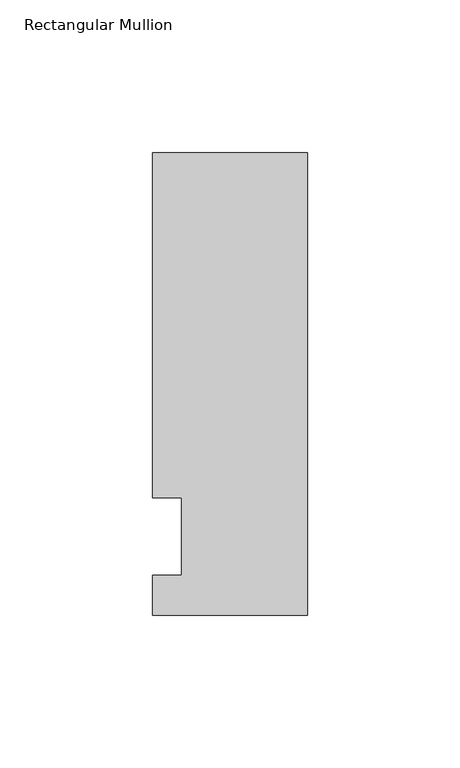
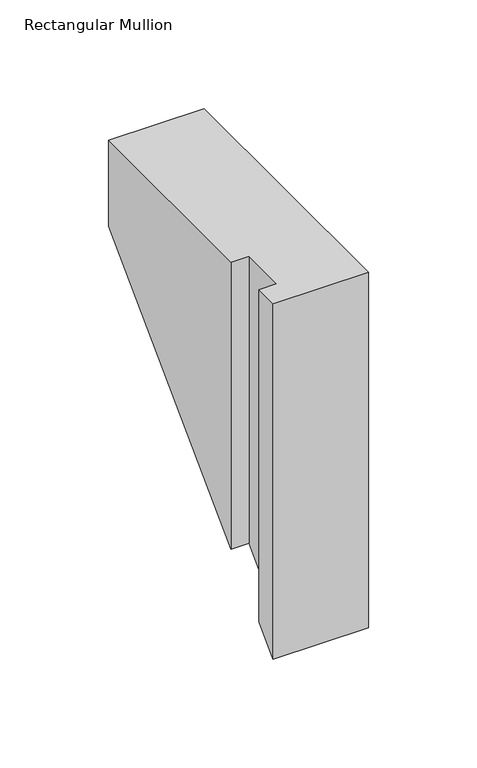
"""IFC4 building model written with IfcOpenShell, lengths in millimetres: member geometry, Rectangular Mullion."""

from ifc_helpers import new_model, si_unit, origin, place, context, project, spatial, faceted_brep, source, transform, mapped, element, save


def rectangular_mullion_4d431443(model_context):
    return source(origin(), model_context, "Body", "Brep", [
        faceted_brep([(-50.8, -25.7961253, 0.0), (0.0, -25.7961253, 0.0), (0.0, 125.8036906, 0.0), (-50.8, 125.8036906, 0.0), (-50.8, 12.7, 0.0), (-41.275, 12.7, 0.0), (-41.275, -12.7, 0.0), (-50.8, -12.7, 0.0), (-50.8, -25.7961253, -199.7797753), (0.0, -25.7961253, -199.7797753), (0.0, 125.8036906, -48.1799594), (-50.8, 125.8036906, -48.1799594), (-50.8, 12.7, -161.28365), (-41.275, 12.7, -161.28365), (-41.275, -12.7, -186.68365), (-50.8, -12.7, -186.68365)], [[[0, 1, 2, 3, 4, 5, 6, 7]], [[1, 0, 8, 9]], [[2, 1, 9, 10]], [[3, 2, 10, 11]], [[4, 3, 11, 12]], [[5, 4, 12, 13]], [[6, 5, 13, 14]], [[7, 6, 14, 15]], [[0, 7, 15, 8]], [[8, 15, 14, 13, 12, 11, 10, 9]]]),
    ])


if __name__ == "__main__":
    model = new_model("IFC4")
    model_context = context("Model", 3, world=origin())
    ifc_project = project(units=[si_unit("LENGTHUNIT", "METRE", prefix="MILLI")], contexts=[model_context])
    site = spatial("IfcSite", under=ifc_project)
    building = spatial("IfcBuilding", under=site)
    placement = place(None, origin())
    rectangular_mullion_shape = rectangular_mullion_4d431443(model_context)
    element("IfcMember", 1, ObjectType="Rectangular Mullion", at=placement, inside=building, context=model_context, shape_type="MappedRepresentation", body=[
        mapped(rectangular_mullion_shape, transform((0.0, 0.0, 0.0), x_axis=(1.0, 0.0, 0.0), y_axis=(0.0, 1.0, 0.0), z_axis=(0.0, 0.0, 1.0))),
    ])
    save(model, "model.ifc")
